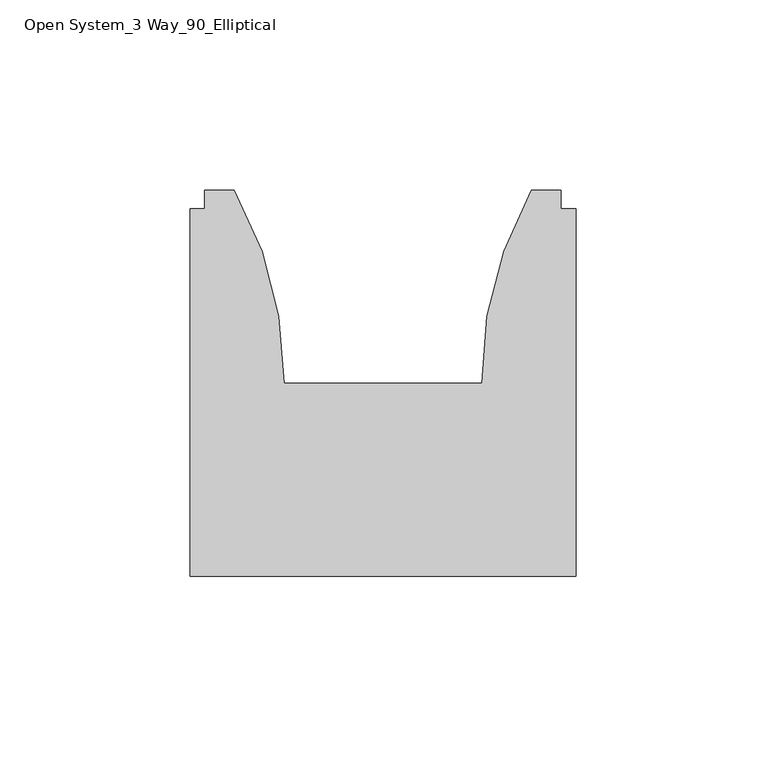
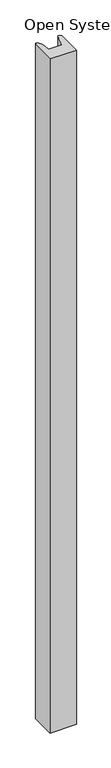
"""IFC4 building model written with IfcOpenShell, lengths in millimetres: furniture geometry, Open System_3 Way_90_Elliptical."""

from ifc_helpers import new_model, si_unit, point, frame_2d, origin, origin_with_axes, place, context, project, spatial, polyline, circle_curve, trimmed, segment, composite_curve, outline, extrude, source, transform, mapped, element, save


def open_system_3_way_90_elliptical_a45a8b40(model_context):
    return source(origin(), model_context, "Body", "SweptSolid", [
        extrude(outline(composite_curve([segment(polyline([(33.9141531, 22.2450295), (33.9141531, 27.1980295), (41.6611531, 27.1980295)]), True, "CONTINUOUS"), segment(trimmed(circle_curve(frame_2d((-47.5191727, -22.8434543)), 102.260846), [point((41.6611531, 27.1980295))], [point((54.7388601, -23.6019705))], False, "CARTESIAN"), True, "CONTINUOUS"), segment(polyline([(54.7388601, -23.6019705), (106.8121531, -23.6019705)]), True, "CONTINUOUS"), segment(trimmed(circle_curve(frame_2d((209.0701859, -22.8434543)), 102.260846), [point((106.8121531, -23.6019705))], [point((119.8898601, 27.1980295))], False, "CARTESIAN"), True, "CONTINUOUS"), segment(polyline([(119.8898601, 27.1980295), (127.6401531, 27.1980295), (127.6401531, 22.2450295), (131.5771531, 22.2450295), (131.5771531, -74.4019705), (29.9771531, -74.4019705), (29.9771531, 22.2450295), (33.9141531, 22.2450295)]), True, "CONTINUOUS")], self_intersect=False)), origin_with_axes(), (0.0, 0.0, 1.0), 2743.2),
    ])


if __name__ == "__main__":
    model = new_model("IFC4")
    model_context = context("Model", 3, world=origin())
    ifc_project = project(units=[si_unit("LENGTHUNIT", "METRE", prefix="MILLI")], contexts=[model_context])
    site = spatial("IfcSite", under=ifc_project)
    building = spatial("IfcBuilding", under=site)
    placement = place(None, origin())
    open_system_3_way_90_elliptical_shape = open_system_3_way_90_elliptical_a45a8b40(model_context)
    element("IfcFurniture", 1, ObjectType="Open System_3 Way_90_Elliptical", at=placement, inside=building, context=model_context, shape_type="MappedRepresentation", body=[
        mapped(open_system_3_way_90_elliptical_shape, transform((0.0, 0.0, 0.0), x_axis=(1.0, 0.0, 0.0), y_axis=(0.0, 1.0, 0.0), z_axis=(0.0, 0.0, 1.0))),
    ])
    save(model, "model.ifc")
